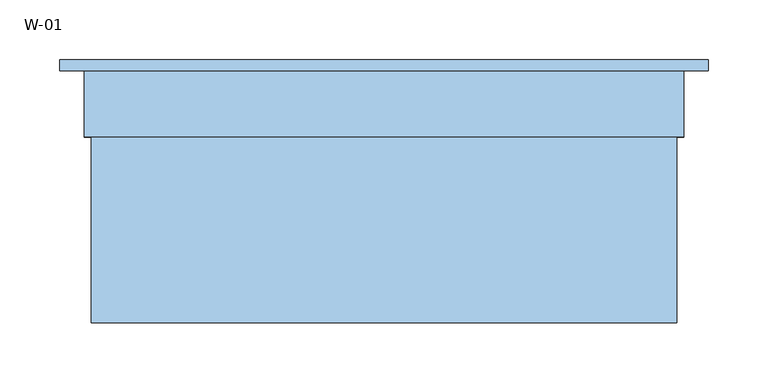
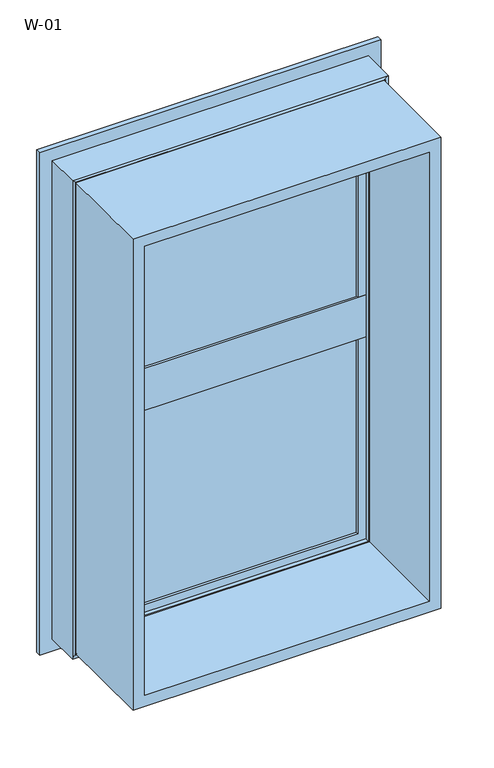
"""IFC4 building model written with IfcOpenShell, lengths in millimetres: window geometry, W-01."""

import ifcopenshell
import ifcopenshell.guid

model = None  # the IFC model being written
_history = None  # IfcOwnerHistory: only IFC2X3 demands one
_inside = {}  # id of a spatial element -> (the spatial element, [elements in it])
_under = {}  # id of a project, library or spatial element -> (it, [spatial elements below it])
_declared = {}  # id of a project -> (the project, [libraries it declares])
_typed = {}  # id of a type object -> (the type object, [elements of that type])
_made_of = {}  # id of a material, layer set ... -> (it, [elements and type objects made of it])


def new_model(schema):
    """Start an empty IFC model of exactly this schema.

    Asked for "IFC4X3", IfcOpenShell would pick the latest addendum, in which some entities
    have other attributes; the version numbers below select the first issue.
    IFC2X3 requires an IfcOwnerHistory on every rooted entity: one is made here for all.
    """
    global model, _history
    if schema == "IFC4X3":
        model = ifcopenshell.file(schema_version=(4, 3, 0, 0))
    else:
        model = ifcopenshell.file(schema=schema)
    _inside.clear()
    _under.clear()
    _declared.clear()
    _typed.clear()
    _made_of.clear()
    _history = None
    if model.schema == "IFC2X3":
        org = make("IfcOrganization", Name="unknown")
        user = make(
            "IfcPersonAndOrganization",
            ThePerson=make("IfcPerson", FamilyName="unknown"),
            TheOrganization=org,
        )
        app = make(
            "IfcApplication",
            ApplicationDeveloper=org,
            Version="unknown",
            ApplicationFullName="unknown",
            ApplicationIdentifier="unknown",
        )
        _history = make(
            "IfcOwnerHistory",
            OwningUser=user,
            OwningApplication=app,
            ChangeAction="ADDED",
            CreationDate=0,
        )
    return model


def make(cls, **values):
    """One entity of the class cls with the attributes given. An attribute that is None is left unset."""
    return model.create_entity(
        cls, **{name: value for name, value in values.items() if value is not None}
    )


def rooted(cls, **values):
    """An entity with a GlobalId (a new one), such as an element, a storey or a relation."""
    return make(cls, GlobalId=ifcopenshell.guid.new(), OwnerHistory=_history, **values)


def si_unit(unit_type, name, prefix=None):
    """IfcSIUnit, for example si_unit("LENGTHUNIT", "METRE", prefix="MILLI")."""
    return make("IfcSIUnit", UnitType=unit_type, Prefix=prefix, Name=name)


def assignment(units):
    """IfcUnitAssignment: the units of a project."""
    return None if units is None else make("IfcUnitAssignment", Units=units)


def point(xyz):
    """IfcCartesianPoint."""
    return None if xyz is None else make("IfcCartesianPoint", Coordinates=xyz)


def direction(xyz):
    """IfcDirection."""
    return None if xyz is None else make("IfcDirection", DirectionRatios=xyz)


def frame(location, z_axis=None, x_axis=None):
    """IfcAxis2Placement3D, a coordinate frame: its origin and axes. An axis left out is left unset."""
    return make(
        "IfcAxis2Placement3D",
        Location=point(location),
        Axis=direction(z_axis),
        RefDirection=direction(x_axis),
    )


def origin():
    """The frame at (0, 0, 0) with its axes left unset."""
    return frame((0.0, 0.0, 0.0))


def place(relative_to, where):
    """IfcLocalPlacement: puts the frame where relative to a parent placement (None: the world)."""
    return make(
        "IfcLocalPlacement", PlacementRelTo=relative_to, RelativePlacement=where
    )


def context(
    kind, dimensions, precision=None, world=None, true_north=None, identifier=None
):
    """IfcGeometricRepresentationContext, for example the 3D "Model" context."""
    return make(
        "IfcGeometricRepresentationContext",
        ContextIdentifier=identifier,
        ContextType=kind,
        CoordinateSpaceDimension=dimensions,
        Precision=precision,
        WorldCoordinateSystem=world,
        TrueNorth=true_north,
    )


def project(units=None, contexts=None):
    """IfcProject with its units and contexts."""
    return rooted(
        "IfcProject",
        Name="project",
        RepresentationContexts=contexts,
        UnitsInContext=assignment(units),
    )


def spatial(cls, under=None, at=None, **own):
    """A site, building, storey or space (cls), placed at a placement, below another one or the project."""
    s = rooted(cls, ObjectPlacement=at, **own)
    if under is not None:
        _under.setdefault(under.id(), (under, []))[1].append(s)
    return s


def polyline(points):
    """IfcPolyline through the points."""
    return make("IfcPolyline", Points=[point(p) for p in points])


def ellipse_curve(where, semi_axis1, semi_axis2):
    """IfcEllipse in the frame where."""
    return make(
        "IfcEllipse", Position=where, SemiAxis1=semi_axis1, SemiAxis2=semi_axis2
    )


def outline(outer, holes=None, kind="AREA"):
    """IfcArbitraryClosedProfileDef: a profile drawn as a closed curve; with holes, ...WithVoids."""
    if holes is None:
        return make("IfcArbitraryClosedProfileDef", ProfileType=kind, OuterCurve=outer)
    return make(
        "IfcArbitraryProfileDefWithVoids",
        ProfileType=kind,
        OuterCurve=outer,
        InnerCurves=holes,
    )


def extrude(swept, where, along, depth):
    """IfcExtrudedAreaSolid: the profile swept, set in the frame where, extruded along a direction by depth."""
    return make(
        "IfcExtrudedAreaSolid",
        SweptArea=swept,
        Position=where,
        ExtrudedDirection=direction(along),
        Depth=depth,
    )


def shape(context_of_items, identifier, shape_type, items):
    """IfcShapeRepresentation: the items that make up one representation, for example the "Body"."""
    return make(
        "IfcShapeRepresentation",
        ContextOfItems=context_of_items,
        RepresentationIdentifier=identifier,
        RepresentationType=shape_type,
        Items=items,
    )


def source(mapping_origin, context_of_items, identifier, shape_type, items):
    """IfcRepresentationMap: a shape defined once, which mapped items show again and again."""
    return make(
        "IfcRepresentationMap",
        MappingOrigin=mapping_origin,
        MappedRepresentation=shape(context_of_items, identifier, shape_type, items),
    )


def transform(
    local_origin,
    x_axis=None,
    y_axis=None,
    z_axis=None,
    scale=None,
    scale2=None,
    scale3=None,
    uniform=True,
):
    """IfcCartesianTransformationOperator3D, or its non-uniform kind. x_axis, y_axis, z_axis: its Axis1, 2, 3."""
    if uniform:
        return make(
            "IfcCartesianTransformationOperator3D",
            Axis1=direction(x_axis),
            Axis2=direction(y_axis),
            LocalOrigin=point(local_origin),
            Scale=scale,
            Axis3=direction(z_axis),
        )
    return make(
        "IfcCartesianTransformationOperator3DnonUniform",
        Axis1=direction(x_axis),
        Axis2=direction(y_axis),
        LocalOrigin=point(local_origin),
        Scale=scale,
        Axis3=direction(z_axis),
        Scale2=scale2,
        Scale3=scale3,
    )


def mapped(mapping_source, mapping_target):
    """IfcMappedItem: shows the shape of a source again, moved by a transform."""
    return make(
        "IfcMappedItem", MappingSource=mapping_source, MappingTarget=mapping_target
    )


def made_of(thing, what):
    """Note that an element or type object is made of a material, layer set ...; save() writes the relation."""
    if what is not None:
        _made_of.setdefault(what.id(), (what, []))[1].append(thing)
    return thing


def element(
    cls,
    number,
    at=None,
    inside=None,
    cuts=None,
    type_object=None,
    material=None,
    context=None,
    identifier="Body",
    shape_type=None,
    held_by="IfcProductDefinitionShape",
    body=None,
    shapes=None,
    **own,
):
    """One element of the class cls, such as IfcWall. Its Tag is "e" and its number.

    at: its placement. inside: the storey or other place that contains it. cuts: it is an
    opening in that element (IfcRelVoidsElement). A single representation is given by context,
    identifier, shape_type and body (its items); several are given by shapes. held_by: the class
    of the entity that holds the representations. save() writes the other relations.
    """
    e = rooted(cls, Tag="e%d" % number, ObjectPlacement=at, **own)
    if body is not None:
        shapes = [shape(context, identifier, shape_type, body)]
    if shapes is not None:
        e.Representation = make(held_by, Representations=shapes)
    if inside is not None:
        _inside.setdefault(inside.id(), (inside, []))[1].append(e)
    if cuts is not None:
        rooted(
            "IfcRelVoidsElement", RelatingBuildingElement=cuts, RelatedOpeningElement=e
        )
    if type_object is not None:
        _typed.setdefault(type_object.id(), (type_object, []))[1].append(e)
    return made_of(e, material)


def aggregate(whole, parts):
    """IfcRelAggregates: a whole, such as a stair, and the parts it consists of."""
    return rooted("IfcRelAggregates", RelatingObject=whole, RelatedObjects=parts)


def save(model, path):
    """Write the relations noted so far, then the file.

    IfcRelAggregates (storeys below a building ...), IfcRelContainedInSpatialStructure (elements
    in a storey), IfcRelDefinesByType, IfcRelAssociatesMaterial and IfcRelDeclares: one each for
    every whole, place, type object, material and project.
    """
    for whole, parts in _under.values():
        aggregate(whole, parts)
    for where, things in _inside.values():
        rooted(
            "IfcRelContainedInSpatialStructure",
            RelatedElements=things,
            RelatingStructure=where,
        )
    for kind, things in _typed.values():
        rooted("IfcRelDefinesByType", RelatedObjects=things, RelatingType=kind)
    for what, things in _made_of.values():
        rooted("IfcRelAssociatesMaterial", RelatedObjects=things, RelatingMaterial=what)
    for by, libraries in _declared.values():
        rooted("IfcRelDeclares", RelatingContext=by, RelatedDefinitions=libraries)
    model.write(path)


def plane_surface(at):
    """IfcPlane: the flat surface through the origin of the frame at, square to its z axis."""
    return make("IfcPlane", Position=at)


def cylinder_surface(at, radius):
    """IfcCylindricalSurface: all points at the distance radius from the z axis of the frame at."""
    return make("IfcCylindricalSurface", Position=at, Radius=radius)


def revolved_surface(curve, axis_point, axis_direction):
    """IfcSurfaceOfRevolution: the curve turned about the line through axis_point along axis_direction."""
    return make(
        "IfcSurfaceOfRevolution",
        SweptCurve=make("IfcArbitraryOpenProfileDef", ProfileType="CURVE", Curve=curve),
        AxisPosition=make("IfcAxis1Placement", Location=point(axis_point), Axis=direction(axis_direction)),
    )


def advanced_brep(points, edges, surfaces, faces):
    """IfcAdvancedBrep: a solid bounded by faces that lie on surfaces and meet in shared edges.

    An edge is (start, end): straight between two places in points (the first is 0);
    or (start, end, curve); or (start, end, curve, False) where it runs against its curve.
    A face is (place in surfaces, loops), or (place, loops, False) where it looks against
    its surface's normal. A loop lists edges by number (the first is 1), with a minus sign
    where the edge is run from its end to its start. The first loop is the outer one.
    """
    corners = [point(p) for p in points]
    vertices = [make("IfcVertexPoint", VertexGeometry=c) for c in corners]
    made = []
    for start, end, *more in edges:
        made.append(
            make(
                "IfcEdgeCurve",
                EdgeStart=vertices[start],
                EdgeEnd=vertices[end],
                EdgeGeometry=more[0] if more else make("IfcPolyline", Points=[corners[start], corners[end]]),
                SameSense=more[1] if len(more) > 1 else True,
            )
        )
    hull = []
    for where, loops, *sense in faces:
        bounds = []
        for j, loop in enumerate(loops):
            ring = [make("IfcOrientedEdge", EdgeElement=made[abs(k) - 1], Orientation=k > 0) for k in loop]
            bounds.append(
                make(
                    "IfcFaceOuterBound" if j == 0 else "IfcFaceBound",
                    Bound=make("IfcEdgeLoop", EdgeList=ring),
                    Orientation=True,
                )
            )
        hull.append(make("IfcAdvancedFace", Bounds=bounds, FaceSurface=surfaces[where], SameSense=sense[0] if sense else True))
    return make("IfcAdvancedBrep", Outer=make("IfcClosedShell", CfsFaces=hull))


def w_01_cdb43d35(model_context):
    return source(origin(), model_context, "Body", "SolidModel", [
        extrude(outline(polyline([(223.0, 74.4), (-223.0, 74.4), (-223.0, 100.4), (223.0, 100.4), (223.0, 74.4)])), frame((0.0, 0.0, 922.0), z_axis=(0.0, 0.0, 1.0), x_axis=(1.0, 0.0, 0.0)), (0.0, 0.0, 1.0), 351.0),
        extrude(outline(polyline([(1293.8, 243.8), (1293.8, -243.8), (506.2, -243.8), (506.2, 243.8), (1293.8, 243.8)]), holes=[polyline([(524.7, 225.3), (524.7, -225.3), (1275.3, -225.3), (1275.3, 225.3), (524.7, 225.3)])]), frame((0.0, -100.0, 0.0), z_axis=(0.0, 1.0, 0.0), x_axis=(0.0, 0.0, 1.0)), (0.0, 0.0, 1.0), 165.9999813),
        extrude(outline(polyline([(223.0, 74.4), (-223.0, 74.4), (-223.0, 100.4), (223.0, 100.4), (223.0, 74.4)])), frame((0.0, 0.0, 527.0), z_axis=(0.0, 0.0, 1.0), x_axis=(1.0, 0.0, 0.0)), (0.0, 0.0, 1.0), 351.0),
        advanced_brep(
        [(-210.0, 107.7228474, 1260.0), (-207.8575034, 100.3927452, 1257.8575034), (-207.8575034, 100.3927452, 937.1424966), (-210.0, 107.7228474, 935.0), (-210.0, 118.9999377, 1260.0), (-210.0, 118.9999377, 935.0), (-230.0, 100.3927452, 1280.0), (-230.0, 118.9999377, 1280.0), (-230.0, 118.9999377, 915.0), (-230.0, 100.3927452, 915.0), (207.8575034, 100.3927452, 937.1424966), (210.0, 107.7228474, 935.0), (210.0, 118.9999377, 935.0), (230.0, 118.9999377, 915.0), (230.0, 100.3927452, 915.0), (207.8575034, 100.3927452, 1257.8575034), (210.0, 107.7228474, 1260.0), (210.0, 118.9999377, 1260.0), (230.0, 118.9999377, 1280.0), (230.0, 100.3927452, 1280.0)],
        [
            (0, 1, ellipse_curve(frame((-190.3925883, 109.4756835, 1240.3925883), z_axis=(0.7071067811865475, 0.0, 0.7071067811865475), x_axis=(0.7071067811865474, 0.0, -0.7071067811865476)), 27.839649, 19.6856046)),
            (1, 2),
            (2, 3, ellipse_curve(frame((-190.3925883, 109.4756835, 954.6074117), z_axis=(0.7071067811865475, 0.0, -0.7071067811865475), x_axis=(-0.7071067811865474, 0.0, -0.7071067811865476)), 27.839649, 19.6856046)),
            (3, 0),
            (4, 0),
            (3, 5),
            (5, 4),
            (6, 7),
            (7, 8),
            (8, 9),
            (9, 6),
            (2, 10),
            (10, 11, ellipse_curve(frame((190.3925883, 109.4756835, 954.6074117), z_axis=(0.7071067811865475, 0.0, 0.7071067811865475), x_axis=(0.7071067811865476, 0.0, -0.7071067811865474)), 27.839649, 19.6856046)),
            (11, 3),
            (11, 12),
            (12, 5),
            (8, 13),
            (13, 14),
            (14, 9),
            (10, 15),
            (15, 16, ellipse_curve(frame((190.3925883, 109.4756835, 1240.3925883), z_axis=(-0.7071067811865475, 0.0, 0.7071067811865475), x_axis=(0.7071067811865474, 0.0, 0.7071067811865476)), 27.839649, 19.6856046)),
            (16, 11),
            (16, 17),
            (17, 12),
            (13, 18),
            (18, 19),
            (19, 14),
            (19, 6),
            (1, 15),
            (0, 16),
            (4, 17),
            (7, 18),
        ],
        [
            revolved_surface(polyline([(-210.0781929, 109.4756835, 934.9218071062467), (-210.0781929, 109.4756835, 1260.0781928937533)]), (-190.3925883, 109.4756835, 1280.0), (0.0, 0.0, -1.0)),
            plane_surface(frame((-210.0, 107.7228474, 1260.0), z_axis=(1.0, 0.0, 0.0), x_axis=(0.0, 0.0, -1.0))),
            plane_surface(frame((-230.0, 118.9999377, 1280.0), z_axis=(-1.0, 0.0, 0.0), x_axis=(0.0, 0.0, -1.0))),
            revolved_surface(polyline([(210.07819289375328, 109.4756835, 934.9218070999999), (-210.07819289375328, 109.4756835, 934.9218070999999)]), (-230.0, 109.4756835, 954.6074117), (1.0, 0.0, 0.0)),
            plane_surface(frame((-210.0, 107.7228474, 935.0), z_axis=(0.0, 0.0, 1.0), x_axis=(1.0, 0.0, 0.0))),
            plane_surface(frame((-230.0, 118.9999377, 915.0), z_axis=(0.0, 0.0, -1.0), x_axis=(1.0, 0.0, 0.0))),
            revolved_surface(polyline([(210.0781929, 109.4756835, 1260.078192893753), (210.0781929, 109.4756835, 934.9218071062467)]), (190.3925883, 109.4756835, 915.0), (0.0, 0.0, 1.0)),
            plane_surface(frame((210.0, 107.7228474, 935.0), z_axis=(-1.0, 0.0, 0.0), x_axis=(0.0, 0.0, 1.0))),
            plane_surface(frame((230.0, 118.9999377, 915.0), z_axis=(1.0, 0.0, 0.0), x_axis=(0.0, 0.0, 1.0))),
            plane_surface(frame((230.0, 100.3927452, 1280.0), z_axis=(0.0, -1.0, 0.0), x_axis=(-1.0, 0.0, 0.0))),
            revolved_surface(polyline([(-210.07819289375328, 109.4756835, 1260.0781929), (210.07819289375328, 109.4756835, 1260.0781929)]), (230.0, 109.4756835, 1240.3925883), (-1.0, 0.0, 0.0)),
            plane_surface(frame((210.0, 107.7228474, 1260.0), z_axis=(0.0, 0.0, -1.0), x_axis=(-1.0, 0.0, 0.0))),
            plane_surface(frame((210.0, 118.9999377, 1260.0), z_axis=(0.0, 1.0, 0.0), x_axis=(-1.0, 0.0, 0.0))),
            plane_surface(frame((230.0, 118.9999377, 1280.0), z_axis=(0.0, 0.0, 1.0), x_axis=(-1.0, 0.0, 0.0))),
        ],
        [
            (0, [[1, 2, 3, 4]]),
            (1, [[5, -4, 6, 7]]),
            (2, [[8, 9, 10, 11]]),
            (3, [[-3, 12, 13, 14]]),
            (4, [[-6, -14, 15, 16]]),
            (5, [[-10, 17, 18, 19]]),
            (6, [[-13, 20, 21, 22]]),
            (7, [[-15, -22, 23, 24]]),
            (8, [[-18, 25, 26, 27]]),
            (9, [[-19, -27, 28, -11], [29, -20, -12, -2]]),
            (10, [[-21, -29, -1, 30]]),
            (11, [[-23, -30, -5, 31]]),
            (12, [[32, -25, -17, -9], [-16, -24, -31, -7]]),
            (13, [[-26, -32, -8, -28]]),
        ],
    ),
        extrude(outline(polyline([(68.9990172, 864.9999652), (68.9990172, 935.0000026), (72.5990172, 935.0000026), (72.5990172, 915.0000187), (118.9999375, 915.0000187), (118.9999375, 884.9999813), (72.5990172, 884.9999813), (72.5990172, 864.9999652), (68.9990172, 864.9999652)])), frame((-230.0, 0.0, 0.0), z_axis=(1.0, 0.0, 0.0), x_axis=(0.0, 1.0, 0.0)), (0.0, 0.0, 1.0), 460.0),
        advanced_brep(
        [(-210.0, 107.7228474, 865.0), (-207.8575034, 100.3927452, 862.8575034), (-207.8575034, 100.3927452, 542.1424966), (-210.0, 107.7228474, 540.0), (-210.0, 118.9999377, 865.0), (-210.0, 118.9999377, 540.0), (-230.0, 100.3927452, 885.0), (-230.0, 118.9999377, 885.0), (-230.0, 118.9999377, 520.0), (-230.0, 100.3927452, 520.0), (207.8575034, 100.3927452, 542.1424966), (210.0, 107.7228474, 540.0), (210.0, 118.9999377, 540.0), (230.0, 118.9999377, 520.0), (230.0, 100.3927452, 520.0), (207.8575034, 100.3927452, 862.8575034), (210.0, 107.7228474, 865.0), (210.0, 118.9999377, 865.0), (230.0, 118.9999377, 885.0), (230.0, 100.3927452, 885.0)],
        [
            (0, 1, ellipse_curve(frame((-190.3925883, 109.4756835, 845.3925883), z_axis=(0.7071067811865475, 0.0, 0.7071067811865475), x_axis=(0.7071067811865474, 0.0, -0.7071067811865476)), 27.839649, 19.6856046)),
            (1, 2),
            (2, 3, ellipse_curve(frame((-190.3925883, 109.4756835, 559.6074117), z_axis=(0.7071067811865475, 0.0, -0.7071067811865475), x_axis=(-0.7071067811865474, 0.0, -0.7071067811865476)), 27.839649, 19.6856046)),
            (3, 0),
            (4, 0),
            (3, 5),
            (5, 4),
            (6, 7),
            (7, 8),
            (8, 9),
            (9, 6),
            (2, 10),
            (10, 11, ellipse_curve(frame((190.3925883, 109.4756835, 559.6074117), z_axis=(0.7071067811865475, 0.0, 0.7071067811865475), x_axis=(0.7071067811865476, 0.0, -0.7071067811865474)), 27.839649, 19.6856046)),
            (11, 3),
            (11, 12),
            (12, 5),
            (8, 13),
            (13, 14),
            (14, 9),
            (10, 15),
            (15, 16, ellipse_curve(frame((190.3925883, 109.4756835, 845.3925883), z_axis=(-0.7071067811865475, 0.0, 0.7071067811865475), x_axis=(0.7071067811865474, 0.0, 0.7071067811865476)), 27.839649, 19.6856046)),
            (16, 11),
            (16, 17),
            (17, 12),
            (13, 18),
            (18, 19),
            (19, 14),
            (19, 6),
            (1, 15),
            (0, 16),
            (4, 17),
            (7, 18),
        ],
        [
            revolved_surface(polyline([(-210.0781929, 109.4756835, 539.9218071062467), (-210.0781929, 109.4756835, 865.0781928937533)]), (-190.3925883, 109.4756835, 885.0), (0.0, 0.0, -1.0)),
            plane_surface(frame((-210.0, 107.7228474, 865.0), z_axis=(1.0, 0.0, 0.0), x_axis=(0.0, 0.0, -1.0))),
            plane_surface(frame((-230.0, 118.9999377, 885.0), z_axis=(-1.0, 0.0, 0.0), x_axis=(0.0, 0.0, -1.0))),
            revolved_surface(polyline([(210.07819289375328, 109.4756835, 539.9218070999999), (-210.07819289375328, 109.4756835, 539.9218070999999)]), (-230.0, 109.4756835, 559.6074117), (1.0, 0.0, 0.0)),
            plane_surface(frame((-210.0, 107.7228474, 540.0), z_axis=(0.0, 0.0, 1.0), x_axis=(1.0, 0.0, 0.0))),
            plane_surface(frame((-230.0, 118.9999377, 520.0), z_axis=(0.0, 0.0, -1.0), x_axis=(1.0, 0.0, 0.0))),
            revolved_surface(polyline([(210.0781929, 109.4756835, 865.0781928937533), (210.0781929, 109.4756835, 539.9218071062467)]), (190.3925883, 109.4756835, 520.0), (0.0, 0.0, 1.0)),
            plane_surface(frame((210.0, 107.7228474, 540.0), z_axis=(-1.0, 0.0, 0.0), x_axis=(0.0, 0.0, 1.0))),
            plane_surface(frame((230.0, 118.9999377, 520.0), z_axis=(1.0, 0.0, 0.0), x_axis=(0.0, 0.0, 1.0))),
            plane_surface(frame((230.0, 100.3927452, 885.0), z_axis=(0.0, -1.0, 0.0), x_axis=(-1.0, 0.0, 0.0))),
            revolved_surface(polyline([(-210.07819289375328, 109.4756835, 865.0781929000001), (210.07819289375328, 109.4756835, 865.0781929000001)]), (230.0, 109.4756835, 845.3925883), (-1.0, 0.0, 0.0)),
            plane_surface(frame((210.0, 107.7228474, 865.0), z_axis=(0.0, 0.0, -1.0), x_axis=(-1.0, 0.0, 0.0))),
            plane_surface(frame((210.0, 118.9999377, 865.0), z_axis=(0.0, 1.0, 0.0), x_axis=(-1.0, 0.0, 0.0))),
            plane_surface(frame((230.0, 118.9999377, 885.0), z_axis=(0.0, 0.0, 1.0), x_axis=(-1.0, 0.0, 0.0))),
        ],
        [
            (0, [[1, 2, 3, 4]]),
            (1, [[5, -4, 6, 7]]),
            (2, [[8, 9, 10, 11]]),
            (3, [[-3, 12, 13, 14]]),
            (4, [[-6, -14, 15, 16]]),
            (5, [[-10, 17, 18, 19]]),
            (6, [[-13, 20, 21, 22]]),
            (7, [[-15, -22, 23, 24]]),
            (8, [[-18, 25, 26, 27]]),
            (9, [[-19, -27, 28, -11], [29, -20, -12, -2]]),
            (10, [[-21, -29, -1, 30]]),
            (11, [[-23, -30, -5, 31]]),
            (12, [[32, -25, -17, -9], [-16, -24, -31, -7]]),
            (13, [[-26, -32, -8, -28]]),
        ],
    ),
        advanced_brep(
        [(270.000038, 110.0, 1320.000038), (270.000038, 110.0, 479.999962), (270.000038, 118.9999375, 479.999962), (270.000038, 118.9999375, 1320.000038), (-270.000038, 118.9999375, 1320.000038), (-270.000038, 118.9999375, 479.999962), (230.0000396, 118.9999375, 1280.0000396), (-230.0000396, 118.9999375, 1280.0000396), (-230.0000396, 118.9999375, 519.9999604), (230.0000396, 118.9999375, 519.9999604), (-270.000038, 110.0, 479.999962), (-270.000038, 110.0, 1320.000038), (-250.0, 110.0, 1300.0), (250.0, 110.0, 1300.0), (250.0, 110.0, 500.0), (-250.0, 110.0, 500.0), (250.0, 54.8507969, 1300.0), (250.0, 54.8507969, 500.0), (-250.0, 54.8507969, 500.0), (245.0001465, 54.8506112, 1295.0001465), (245.0001465, 54.8506112, 504.9998535), (-245.0001465, 54.8506112, 504.9998535), (245.0001465, 56.5920405, 1295.0001465), (245.0001465, 56.5920405, 504.9998535), (-245.0001465, 56.5920405, 504.9998535), (243.8001794, 56.5908144, 1293.8001794), (243.8001794, 56.5908144, 506.1998206), (-243.8001794, 56.5908144, 506.1998206), (243.8001794, 65.9999813, 1293.8001794), (243.8001794, 65.9999813, 506.1998206), (-243.8001794, 65.9999813, 506.1998206), (-243.8001794, 65.9999813, 1293.8001794), (-224.2001794, 65.9999813, 1274.2001794), (224.2001794, 65.9999813, 1274.2001794), (224.2001794, 65.9999813, 525.7998206), (-224.2001794, 65.9999813, 525.7998206), (224.2001794, 61.9999728, 1274.2001794), (224.2001794, 61.9999728, 525.7998206), (-224.2001794, 61.9999728, 525.7998206), (-224.2001794, 61.9999728, 1274.2001794), (-222.6156704, 61.9999728, 1272.6156704), (222.6156704, 61.9999728, 1272.6156704), (222.6156704, 61.9999728, 527.3843296), (-222.6156704, 61.9999728, 527.3843296), (222.8755675, 68.9999299, 1272.8755675), (222.8755675, 68.9999299, 527.1244325), (-222.8755675, 68.9999299, 527.1244325), (-222.8755675, 68.9999299, 1272.8755675), (-210.0002274, 68.9999299, 1260.0002274), (210.0002274, 68.9999299, 1260.0002274), (210.0002274, 68.9999299, 539.9997726), (-210.0002274, 68.9999299, 539.9997726), (210.0002274, 72.5999758, 1260.0002274), (210.0002274, 72.5999758, 539.9997726), (-210.0002274, 72.5999758, 539.9997726), (-230.0000396, 72.5999758, 1280.0000396), (230.0000396, 72.5999758, 1280.0000396), (230.0000396, 72.5999758, 519.9999604), (-230.0000396, 72.5999758, 519.9999604), (-210.0002274, 72.5999758, 1260.0002274), (-250.0, 54.8507969, 1300.0), (-245.0001465, 54.8506112, 1295.0001465), (-245.0001465, 56.5920405, 1295.0001465), (-243.8001794, 56.5908144, 1293.8001794)],
        [
            (0, 1),
            (1, 2),
            (2, 3),
            (3, 0),
            (4, 3),
            (2, 5),
            (5, 4),
            (6, 7),
            (7, 8),
            (8, 9),
            (9, 6),
            (1, 10),
            (10, 5),
            (0, 11),
            (11, 10),
            (12, 13),
            (13, 14),
            (14, 15),
            (15, 12),
            (16, 17),
            (17, 14),
            (13, 16),
            (17, 18),
            (18, 15),
            (19, 20),
            (20, 17, ellipse_curve(frame((247.5001465, 52.8785929, 502.4998535), z_axis=(-0.7071067811865475, 0.0, -0.7071067811865475), x_axis=(0.7071067811865474, 0.0, -0.7071067811865476)), 4.5030781, 3.184157)),
            (16, 19, ellipse_curve(frame((247.5001465, 52.8785929, 1297.5001465), z_axis=(-0.7071067811865475, 0.0, 0.7071067811865475), x_axis=(-0.7071067811865474, 0.0, -0.7071067811865476)), 4.5030781, 3.184157)),
            (20, 21),
            (21, 18, ellipse_curve(frame((-247.5001465, 52.8785929, 502.4998535), z_axis=(-0.7071067811865475, 0.0, 0.7071067811865475), x_axis=(-0.7071067811865476, 0.0, -0.7071067811865474)), 4.5030781, 3.184157)),
            (22, 23),
            (23, 20),
            (19, 22),
            (23, 24),
            (24, 21),
            (25, 26),
            (26, 23, ellipse_curve(frame((244.4001534, 56.6007652, 505.5998466), z_axis=(0.7071067811865475, 0.0, 0.7071067811865475), x_axis=(-0.7071067811865474, 0.0, 0.7071067811865476)), 0.8486081, 0.6000566)),
            (22, 25, ellipse_curve(frame((244.4001534, 56.6007652, 1294.4001534), z_axis=(0.7071067811865475, 0.0, -0.7071067811865475), x_axis=(0.7071067811865474, 0.0, 0.7071067811865476)), 0.8486081, 0.6000566)),
            (26, 27),
            (27, 24, ellipse_curve(frame((-244.4001534, 56.6007652, 505.5998466), z_axis=(0.7071067811865475, 0.0, -0.7071067811865475), x_axis=(0.7071067811865476, 0.0, 0.7071067811865474)), 0.8486081, 0.6000566)),
            (28, 29),
            (29, 26),
            (25, 28),
            (29, 30),
            (30, 27),
            (28, 31),
            (31, 30),
            (32, 33),
            (33, 34),
            (34, 35),
            (35, 32),
            (36, 37),
            (37, 34),
            (33, 36),
            (37, 38),
            (38, 35),
            (36, 39),
            (39, 38),
            (40, 41),
            (41, 42),
            (42, 43),
            (43, 40),
            (44, 45),
            (45, 42),
            (41, 44),
            (45, 46),
            (46, 43),
            (44, 47),
            (47, 46),
            (48, 49),
            (49, 50),
            (50, 51),
            (51, 48),
            (52, 53),
            (53, 50),
            (49, 52),
            (53, 54),
            (54, 51),
            (55, 56),
            (56, 57),
            (57, 58),
            (58, 55),
            (52, 59),
            (59, 54),
            (9, 57),
            (56, 6),
            (8, 58),
            (11, 4),
            (18, 60),
            (60, 12),
            (21, 61),
            (61, 60, ellipse_curve(frame((-247.5001465, 52.8785929, 1297.5001465), z_axis=(0.7071067811865475, 0.0, 0.7071067811865475), x_axis=(-0.7071067811865474, 0.0, 0.7071067811865476)), 4.5030781, 3.184157)),
            (24, 62),
            (62, 61),
            (27, 63),
            (63, 62, ellipse_curve(frame((-244.4001534, 56.6007652, 1294.4001534), z_axis=(-0.7071067811865475, 0.0, -0.7071067811865475), x_axis=(0.7071067811865474, 0.0, -0.7071067811865476)), 0.8486081, 0.6000566)),
            (31, 63),
            (39, 32),
            (47, 40),
            (59, 48),
            (7, 55),
            (60, 16),
            (61, 19),
            (62, 22),
            (63, 25),
        ],
        [
            plane_surface(frame((270.000038, 118.9999375, 1320.000038), z_axis=(1.0, 0.0, 0.0), x_axis=(0.0, 0.0, -1.0))),
            plane_surface(frame((-230.0000396, 118.9999375, 519.9999604), z_axis=(0.0, 1.0, 0.0), x_axis=(0.0, 0.0, 1.0))),
            plane_surface(frame((270.000038, 118.9999375, 479.999962), z_axis=(0.0, 0.0, -1.0), x_axis=(-1.0, 0.0, 0.0))),
            plane_surface(frame((-270.000038, 110.0, 479.999962), z_axis=(0.0, -1.0, 0.0), x_axis=(0.0, 0.0, 1.0))),
            plane_surface(frame((250.0, 110.0, 1300.0), z_axis=(1.0, 0.0, 0.0), x_axis=(0.0, 0.0, -1.0))),
            plane_surface(frame((250.0, 110.0, 500.0), z_axis=(0.0, 0.0, -1.0), x_axis=(-1.0, 0.0, 0.0))),
            revolved_surface(polyline([(250.6843035, 52.8785929, 499.3156964392773), (250.6843035, 52.8785929, 1300.6843035607226)]), (247.5001465, 52.8785929, 1300.0), (0.0, 0.0, -1.0)),
            revolved_surface(polyline([(-250.68430356072264, 52.8785929, 499.31569649999994), (250.68430356072264, 52.8785929, 499.31569649999994)]), (250.0, 52.8785929, 502.4998535), (-1.0, 0.0, 0.0)),
            plane_surface(frame((245.0001465, 54.8506112, 1295.0001465), z_axis=(-1.0, 0.0, 0.0), x_axis=(0.0, 0.0, -1.0))),
            plane_surface(frame((245.0001465, 54.8506112, 504.9998535), z_axis=(0.0, 0.0, 1.0), x_axis=(-1.0, 0.0, 0.0))),
            cylinder_surface(frame((244.4001534, 56.6007652, 1300.0), z_axis=(0.0, 0.0, 1.0), x_axis=(1.0, 0.0, 0.0)), 0.6000566),
            cylinder_surface(frame((250.0, 56.6007652, 505.5998466), z_axis=(1.0, 0.0, 0.0), x_axis=(0.0, 0.0, -1.0)), 0.6000566),
            plane_surface(frame((243.8001794, 56.5908144, 1293.8001794), z_axis=(-1.0, 0.0, 0.0), x_axis=(0.0, 0.0, -1.0))),
            plane_surface(frame((243.8001794, 56.5908144, 506.1998206), z_axis=(0.0, 0.0, 1.0), x_axis=(-1.0, 0.0, 0.0))),
            plane_surface(frame((-243.8001794, 65.9999813, 506.1998206), z_axis=(0.0, -1.0, 0.0), x_axis=(0.0, 0.0, 1.0))),
            plane_surface(frame((224.2001794, 65.9999813, 1274.2001794), z_axis=(1.0, 0.0, 0.0), x_axis=(0.0, 0.0, -1.0))),
            plane_surface(frame((224.2001794, 65.9999813, 525.7998206), z_axis=(0.0, 0.0, -1.0), x_axis=(-1.0, 0.0, 0.0))),
            plane_surface(frame((-224.2001794, 61.9999728, 525.7998206), z_axis=(0.0, -1.0, 0.0), x_axis=(0.0, 0.0, 1.0))),
            plane_surface(frame((222.6156704, 61.9999728, 1272.6156704), z_axis=(-0.9993114533203381, 0.0371028201460986, 0.0), x_axis=(0.0, 0.0, -1.0))),
            plane_surface(frame((222.6156704, 61.9999728, 527.3843296), z_axis=(0.0, 0.03710282014609248, 0.9993114533203383), x_axis=(-1.0, 0.0, 0.0))),
            plane_surface(frame((-222.8755675, 68.9999299, 527.1244325), z_axis=(0.0, -1.0, 0.0), x_axis=(0.0, 0.0, 1.0))),
            plane_surface(frame((210.0002274, 68.9999299, 1260.0002274), z_axis=(-1.0, 0.0, 0.0), x_axis=(0.0, 0.0, -1.0))),
            plane_surface(frame((210.0002274, 68.9999299, 539.9997726), z_axis=(0.0, 0.0, 1.0), x_axis=(-1.0, 0.0, 0.0))),
            plane_surface(frame((-210.0002274, 72.5999758, 539.9997726), z_axis=(0.0, 1.0, 0.0), x_axis=(0.0, 0.0, 1.0))),
            plane_surface(frame((230.0000396, 72.5999758, 1280.0000396), z_axis=(-1.0, 0.0, 0.0), x_axis=(0.0, 0.0, -1.0))),
            plane_surface(frame((230.0000396, 72.5999758, 519.9999604), z_axis=(0.0, 0.0, 1.0), x_axis=(-1.0, 0.0, 0.0))),
            plane_surface(frame((-270.000038, 118.9999375, 479.999962), z_axis=(-1.0, 0.0, 0.0), x_axis=(0.0, 0.0, 1.0))),
            plane_surface(frame((-250.0, 110.0, 500.0), z_axis=(-1.0, 0.0, 0.0), x_axis=(0.0, 0.0, 1.0))),
            revolved_surface(polyline([(-250.6843035, 52.8785929, 1300.6843035607226), (-250.6843035, 52.8785929, 499.31569643927736)]), (-247.5001465, 52.8785929, 500.0), (0.0, 0.0, 1.0)),
            plane_surface(frame((-245.0001465, 54.8506112, 504.9998535), z_axis=(1.0, 0.0, 0.0), x_axis=(0.0, 0.0, 1.0))),
            cylinder_surface(frame((-244.4001534, 56.6007652, 500.0), z_axis=(0.0, 0.0, -1.0), x_axis=(-1.0, 0.0, 0.0)), 0.6000566),
            plane_surface(frame((-243.8001794, 56.5908144, 506.1998206), z_axis=(1.0, 0.0, 0.0), x_axis=(0.0, 0.0, 1.0))),
            plane_surface(frame((-224.2001794, 65.9999813, 525.7998206), z_axis=(-1.0, 0.0, 0.0), x_axis=(0.0, 0.0, 1.0))),
            plane_surface(frame((-222.6156704, 61.9999728, 527.3843296), z_axis=(0.9993114533203385, 0.03710282014608636, 0.0), x_axis=(0.0, 0.0, 1.0))),
            plane_surface(frame((-210.0002274, 68.9999299, 539.9997726), z_axis=(1.0, 0.0, 0.0), x_axis=(0.0, 0.0, 1.0))),
            plane_surface(frame((-230.0000396, 72.5999758, 519.9999604), z_axis=(1.0, 0.0, 0.0), x_axis=(0.0, 0.0, 1.0))),
            plane_surface(frame((-270.000038, 118.9999375, 1320.000038), z_axis=(0.0, 0.0, 1.0), x_axis=(1.0, 0.0, 0.0))),
            plane_surface(frame((-250.0, 110.0, 1300.0), z_axis=(0.0, 0.0, 1.0), x_axis=(1.0, 0.0, 0.0))),
            revolved_surface(polyline([(250.68430356072264, 52.8785929, 1300.6843035), (-250.68430356072264, 52.8785929, 1300.6843035)]), (-250.0, 52.8785929, 1297.5001465), (1.0, 0.0, 0.0)),
            plane_surface(frame((-245.0001465, 54.8506112, 1295.0001465), z_axis=(0.0, 0.0, -1.0), x_axis=(1.0, 0.0, 0.0))),
            cylinder_surface(frame((-250.0, 56.6007652, 1294.4001534), z_axis=(-1.0, 0.0, 0.0), x_axis=(0.0, 0.0, 1.0)), 0.6000566),
            plane_surface(frame((-243.8001794, 56.5908144, 1293.8001794), z_axis=(0.0, 0.0, -1.0), x_axis=(1.0, 0.0, 0.0))),
            plane_surface(frame((-224.2001794, 65.9999813, 1274.2001794), z_axis=(0.0, 0.0, 1.0), x_axis=(1.0, 0.0, 0.0))),
            plane_surface(frame((-222.6156704, 61.9999728, 1272.6156704), z_axis=(0.0, 0.03710282014609248, -0.9993114533203383), x_axis=(1.0, 0.0, 0.0))),
            plane_surface(frame((-210.0002274, 68.9999299, 1260.0002274), z_axis=(0.0, 0.0, -1.0), x_axis=(1.0, 0.0, 0.0))),
            plane_surface(frame((-230.0000396, 72.5999758, 1280.0000396), z_axis=(0.0, 0.0, -1.0), x_axis=(1.0, 0.0, 0.0))),
        ],
        [
            (0, [[1, 2, 3, 4]]),
            (1, [[5, -3, 6, 7], [8, 9, 10, 11]]),
            (2, [[12, 13, -6, -2]]),
            (3, [[14, 15, -12, -1], [16, 17, 18, 19]]),
            (4, [[20, 21, -17, 22]]),
            (5, [[23, 24, -18, -21]]),
            (6, [[25, 26, -20, 27]]),
            (7, [[28, 29, -23, -26]]),
            (8, [[30, 31, -25, 32]]),
            (9, [[33, 34, -28, -31]]),
            (10, [[35, 36, -30, 37]]),
            (11, [[38, 39, -33, -36]]),
            (12, [[40, 41, -35, 42]]),
            (13, [[43, 44, -38, -41]]),
            (14, [[45, 46, -43, -40], [47, 48, 49, 50]]),
            (15, [[51, 52, -48, 53]]),
            (16, [[54, 55, -49, -52]]),
            (17, [[56, 57, -54, -51], [58, 59, 60, 61]]),
            (18, [[62, 63, -59, 64]]),
            (19, [[65, 66, -60, -63]]),
            (20, [[67, 68, -65, -62], [69, 70, 71, 72]]),
            (21, [[73, 74, -70, 75]]),
            (22, [[76, 77, -71, -74]]),
            (23, [[78, 79, 80, 81], [82, 83, -76, -73]]),
            (24, [[-11, 84, -79, 85]]),
            (25, [[-10, 86, -80, -84]]),
            (26, [[-15, 87, -7, -13]]),
            (27, [[88, 89, -19, -24]]),
            (28, [[90, 91, -88, -29]]),
            (29, [[92, 93, -90, -34]]),
            (30, [[94, 95, -92, -39]]),
            (31, [[-46, 96, -94, -44]]),
            (32, [[-57, 97, -50, -55]]),
            (33, [[-68, 98, -61, -66]]),
            (34, [[-83, 99, -72, -77]]),
            (35, [[-9, 100, -81, -86]]),
            (36, [[-14, -4, -5, -87]]),
            (37, [[101, -22, -16, -89]]),
            (38, [[102, -27, -101, -91]]),
            (39, [[103, -32, -102, -93]]),
            (40, [[104, -37, -103, -95]]),
            (41, [[-45, -42, -104, -96]]),
            (42, [[-56, -53, -47, -97]]),
            (43, [[-67, -64, -58, -98]]),
            (44, [[-82, -75, -69, -99]]),
            (45, [[-8, -85, -78, -100]]),
        ],
    ),
    ])


if __name__ == "__main__":
    model = new_model("IFC4")
    model_context = context("Model", 3, world=origin())
    ifc_project = project(units=[si_unit("LENGTHUNIT", "METRE", prefix="MILLI")], contexts=[model_context])
    site = spatial("IfcSite", under=ifc_project)
    building = spatial("IfcBuilding", under=site)
    placement = place(None, origin())
    w_01_shape = w_01_cdb43d35(model_context)
    element("IfcWindow", 1, ObjectType="W-01", at=placement, inside=building, context=model_context, shape_type="MappedRepresentation", body=[
        mapped(w_01_shape, transform((0.0, 0.0, 0.0), x_axis=(1.0, 0.0, 0.0), y_axis=(0.0, 1.0, 0.0), z_axis=(0.0, 0.0, 1.0))),
    ])
    save(model, "model.ifc")
